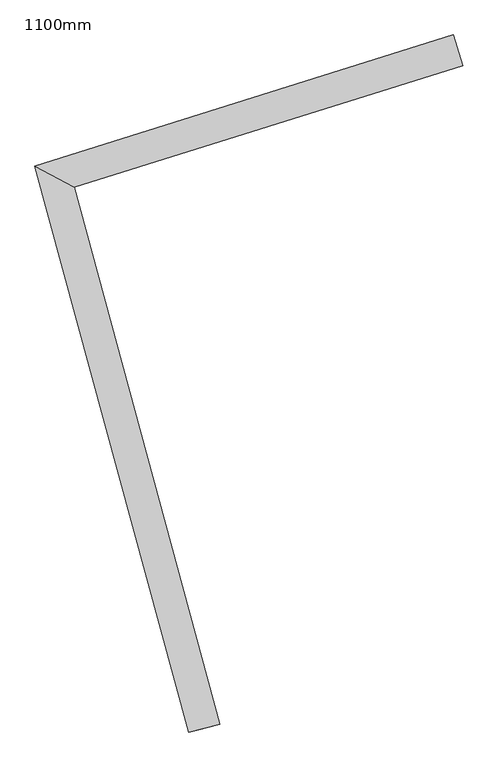
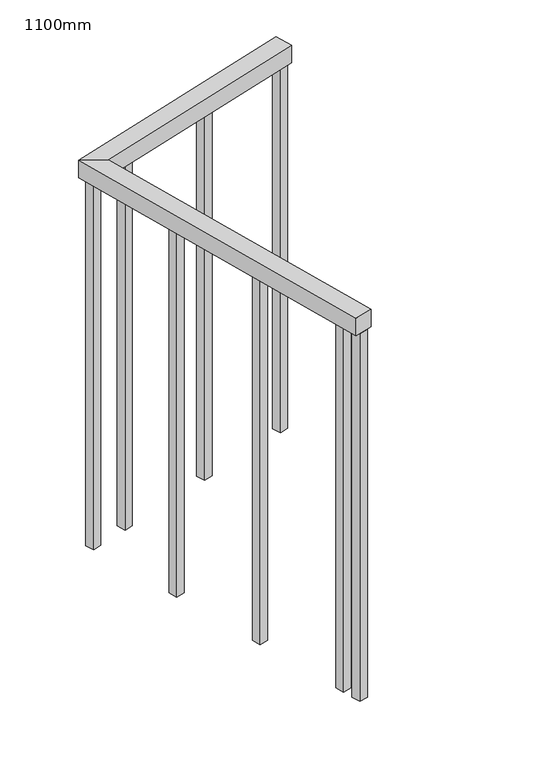
"""IFC4 building model written with IfcOpenShell, lengths in millimetres: railing geometry, 1100mm."""

from ifc_helpers import new_model, si_unit, frame, origin, place, context, project, spatial, polyline, outline, extrude, faceted_brep, source, transform, mapped, element, save


def railing_1100mm_d4b57211(model_context):
    return source(origin(), model_context, "Body", "SolidModel", [
        faceted_brep([(86939.9295822, 13982.0379938, 1700.0), (86939.9295822, 13982.0379938, 1650.0), (86924.9676882, 14029.7469209, 1650.0), (86924.9676882, 14029.7469209, 1700.0), (86273.723995, 13825.5117876, 1700.0), (86334.5924708, 13792.1995248, 1700.0), (86273.723995, 13825.5117876, 1650.0), (86334.5924708, 13792.1995248, 1650.0), (86561.8891597, 12955.9500651, 1700.0), (86513.6396891, 12942.8356233, 1700.0), (86513.6396891, 12942.8356233, 1650.0), (86561.8891597, 12955.9500651, 1650.0)], [[[0, 1, 2, 3]], [[0, 3, 4, 5]], [[3, 2, 6, 4]], [[2, 1, 7, 6]], [[1, 0, 5, 7]], [[8, 9, 10, 11]], [[5, 4, 9, 8]], [[4, 6, 10, 9]], [[6, 7, 11, 10]], [[7, 5, 8, 11]]]),
        extrude(outline(polyline([(86529.3302807, 13028.0803691), (86535.8875016, 13003.9556338), (86511.7627663, 12997.3984129), (86505.2055454, 13021.5231482), (86529.3302807, 13028.0803691)])), frame((0.0, 0.0, 600.0), z_axis=(0.0, 0.0, 1.0), x_axis=(1.0, 0.0, 0.0)), (0.0, 0.0, 1.0), 1050.0),
        extrude(outline(polyline([(86457.2008505, 13293.4524575), (86463.7580714, 13269.3277222), (86439.6333361, 13262.7705013), (86433.0761152, 13286.8952366), (86457.2008505, 13293.4524575)])), frame((0.0, 0.0, 600.0), z_axis=(0.0, 0.0, 1.0), x_axis=(1.0, 0.0, 0.0)), (0.0, 0.0, 1.0), 1050.0),
        extrude(outline(polyline([(86385.0714203, 13558.8245459), (86391.6286412, 13534.6998106), (86367.5039059, 13528.1425897), (86360.946685, 13552.267325), (86385.0714203, 13558.8245459)])), frame((0.0, 0.0, 600.0), z_axis=(0.0, 0.0, 1.0), x_axis=(1.0, 0.0, 0.0)), (0.0, 0.0, 1.0), 1050.0),
        extrude(outline(polyline([(86423.318142, 13833.1248652), (86399.4636784, 13825.6439183), (86391.9827314, 13849.4983818), (86415.837195, 13856.9793288), (86423.318142, 13833.1248652)])), frame((0.0, 0.0, 600.0), z_axis=(0.0, 0.0, 1.0), x_axis=(1.0, 0.0, 0.0)), (0.0, 0.0, 1.0), 1050.0),
        extrude(outline(polyline([(86685.7172412, 13915.4152822), (86661.8627776, 13907.9343352), (86654.3818306, 13931.7887987), (86678.2362942, 13939.2697457), (86685.7172412, 13915.4152822)])), frame((0.0, 0.0, 600.0), z_axis=(0.0, 0.0, 1.0), x_axis=(1.0, 0.0, 0.0)), (0.0, 0.0, 1.0), 1050.0),
        extrude(outline(polyline([(86319.8259382, 13800.6688979), (86295.9714746, 13793.1879509), (86288.4905276, 13817.0424145), (86312.3449912, 13824.5233615), (86319.8259382, 13800.6688979)])), frame((0.0, 0.0, 600.0), z_axis=(0.0, 0.0, 1.0), x_axis=(1.0, 0.0, 0.0)), (0.0, 0.0, 1.0), 1050.0),
        extrude(outline(polyline([(86543.2695711, 12976.79619), (86549.826792, 12952.6714547), (86525.7020567, 12946.1142338), (86519.1448358, 12970.2389691), (86543.2695711, 12976.79619)])), frame((0.0, 0.0, 600.0), z_axis=(0.0, 0.0, 1.0), x_axis=(1.0, 0.0, 0.0)), (0.0, 0.0, 1.0), 1050.0),
        extrude(outline(polyline([(86936.1891087, 13993.9652256), (86912.3346451, 13986.4842786), (86904.8536981, 14010.3387422), (86928.7081617, 14017.8196891), (86936.1891087, 13993.9652256)])), frame((0.0, 0.0, 600.0), z_axis=(0.0, 0.0, 1.0), x_axis=(1.0, 0.0, 0.0)), (0.0, 0.0, 1.0), 1050.0),
    ])


if __name__ == "__main__":
    model = new_model("IFC4")
    model_context = context("Model", 3, world=origin())
    ifc_project = project(units=[si_unit("LENGTHUNIT", "METRE", prefix="MILLI")], contexts=[model_context])
    site = spatial("IfcSite", under=ifc_project)
    building = spatial("IfcBuilding", under=site)
    placement = place(None, origin())
    railing_1100mm_shape = railing_1100mm_d4b57211(model_context)
    element("IfcRailing", 1, ObjectType="1100mm", at=placement, inside=building, context=model_context, shape_type="MappedRepresentation", body=[
        mapped(railing_1100mm_shape, transform((0.0, 0.0, 0.0), x_axis=(1.0, 0.0, 0.0), y_axis=(0.0, 1.0, 0.0), z_axis=(0.0, 0.0, 1.0))),
    ])
    save(model, "model.ifc")
